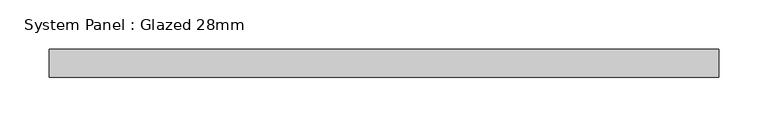
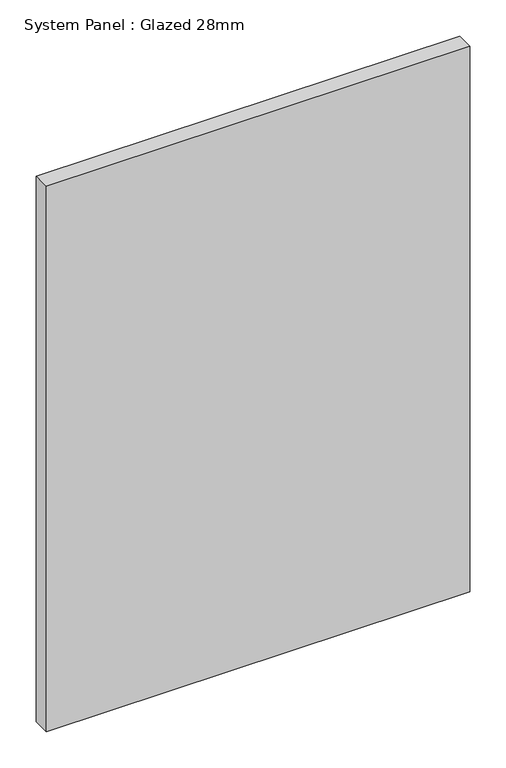
"""IFC4 building model written with IfcOpenShell, lengths in millimetres: plate geometry, System Panel : Glazed 28mm."""

from ifc_helpers import new_model, si_unit, origin, origin_with_axes, place, context, project, spatial, polyline, outline, extrude, source, transform, mapped, element, save


def system_panel_glazed_28mm_5a33642b(model_context):
    return source(origin(), model_context, "Body", "SweptSolid", [
        extrude(outline(polyline([(337.9561669, -14.0), (-337.9561669, -14.0), (-337.9561669, 14.0), (337.9561669, 14.0), (337.9561669, -14.0)])), origin_with_axes(), (0.0, 0.0, 1.0), 920.6624174),
    ])


if __name__ == "__main__":
    model = new_model("IFC4")
    model_context = context("Model", 3, world=origin())
    ifc_project = project(units=[si_unit("LENGTHUNIT", "METRE", prefix="MILLI")], contexts=[model_context])
    site = spatial("IfcSite", under=ifc_project)
    building = spatial("IfcBuilding", under=site)
    placement = place(None, origin())
    system_panel_glazed_28mm_shape = system_panel_glazed_28mm_5a33642b(model_context)
    element("IfcPlate", 1, ObjectType="System Panel : Glazed 28mm", at=placement, inside=building, context=model_context, shape_type="MappedRepresentation", body=[
        mapped(system_panel_glazed_28mm_shape, transform((0.0, 0.0, 0.0), x_axis=(1.0, 0.0, 0.0), y_axis=(0.0, 1.0, 0.0), z_axis=(0.0, 0.0, 1.0))),
    ])
    save(model, "model.ifc")
